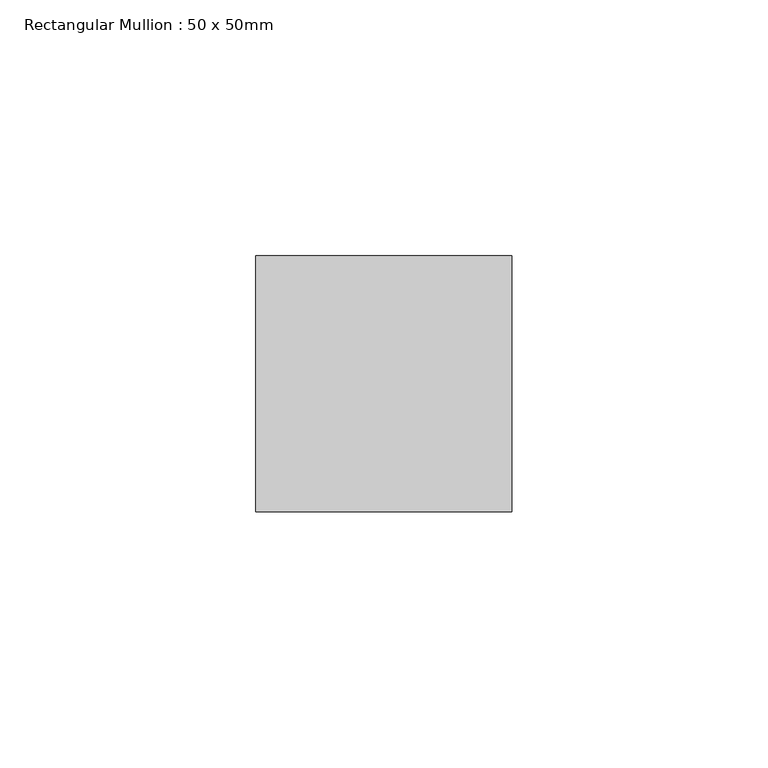
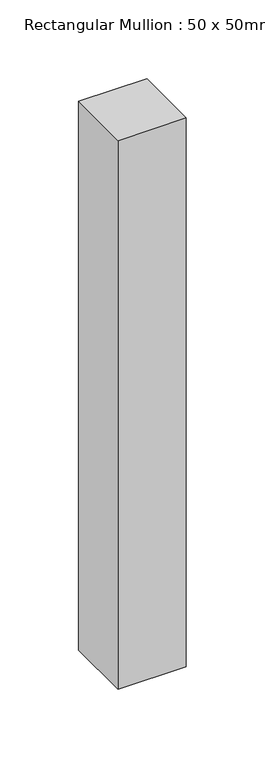
"""IFC4 building model written with IfcOpenShell, lengths in millimetres: member geometry, Rectangular Mullion : 50 x 50mm."""

from ifc_helpers import new_model, si_unit, frame, origin, place, context, project, spatial, polyline, outline, extrude, source, transform, mapped, element, save


def rectangular_mullion_50_x_50mm_cbf91272(model_context):
    return source(origin(), model_context, "Body", "SweptSolid", [
        extrude(outline(polyline([(0.0, 50.0), (0.0, 0.0), (-50.0, 0.0), (-50.0, 50.0), (0.0, 50.0)])), frame((0.0, 0.0, -425.0), z_axis=(0.0, 0.0, 1.0), x_axis=(1.0, 0.0, 0.0)), (0.0, 0.0, 1.0), 425.0),
    ])


if __name__ == "__main__":
    model = new_model("IFC4")
    model_context = context("Model", 3, world=origin())
    ifc_project = project(units=[si_unit("LENGTHUNIT", "METRE", prefix="MILLI")], contexts=[model_context])
    site = spatial("IfcSite", under=ifc_project)
    building = spatial("IfcBuilding", under=site)
    placement = place(None, origin())
    rectangular_mullion_50_x_50mm_shape = rectangular_mullion_50_x_50mm_cbf91272(model_context)
    element("IfcMember", 1, ObjectType="Rectangular Mullion : 50 x 50mm", at=placement, inside=building, context=model_context, shape_type="MappedRepresentation", body=[
        mapped(rectangular_mullion_50_x_50mm_shape, transform((0.0, 0.0, 0.0), x_axis=(1.0, 0.0, 0.0), y_axis=(0.0, 1.0, 0.0), z_axis=(0.0, 0.0, 1.0))),
    ])
    save(model, "model.ifc")
